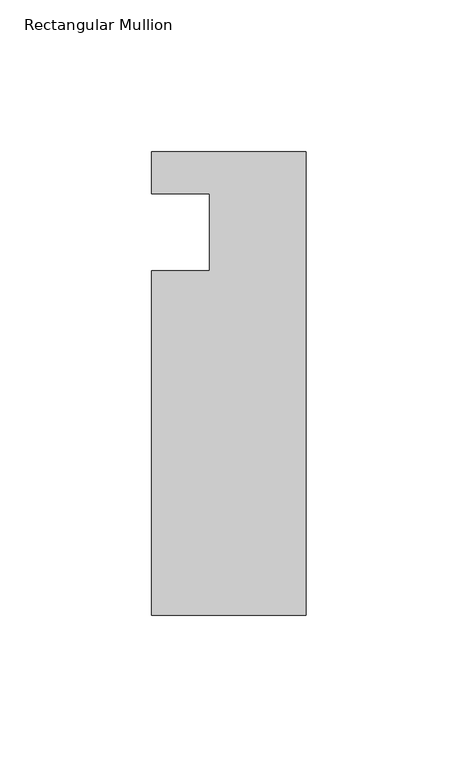
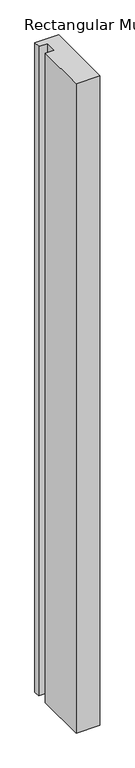
"""IFC4 building model written with IfcOpenShell, lengths in millimetres: member geometry, Rectangular Mullion."""

from ifc_helpers import new_model, si_unit, frame, origin, place, context, project, spatial, polyline, outline, extrude, source, transform, mapped, element, save


def rectangular_mullion_27e7b84d(model_context):
    return source(origin(), model_context, "Body", "SweptSolid", [
        extrude(outline(polyline([(-50.8, 13.6728928), (0.0, 13.6728928), (0.0, -138.7271072), (-50.8, -138.7271072), (-50.8, -25.4), (-31.75, -25.4), (-31.75, 0.0), (-50.8, 0.0), (-50.8, 13.6728928)])), frame((0.0, 0.0, -1466.85), z_axis=(0.0, 0.0, 1.0), x_axis=(1.0, 0.0, 0.0)), (0.0, 0.0, 1.0), 1466.85),
    ])


if __name__ == "__main__":
    model = new_model("IFC4")
    model_context = context("Model", 3, world=origin())
    ifc_project = project(units=[si_unit("LENGTHUNIT", "METRE", prefix="MILLI")], contexts=[model_context])
    site = spatial("IfcSite", under=ifc_project)
    building = spatial("IfcBuilding", under=site)
    placement = place(None, origin())
    rectangular_mullion_shape = rectangular_mullion_27e7b84d(model_context)
    element("IfcMember", 1, ObjectType="Rectangular Mullion", at=placement, inside=building, context=model_context, shape_type="MappedRepresentation", body=[
        mapped(rectangular_mullion_shape, transform((0.0, 0.0, 0.0), x_axis=(1.0, 0.0, 0.0), y_axis=(0.0, 1.0, 0.0), z_axis=(0.0, 0.0, 1.0))),
    ])
    save(model, "model.ifc")
